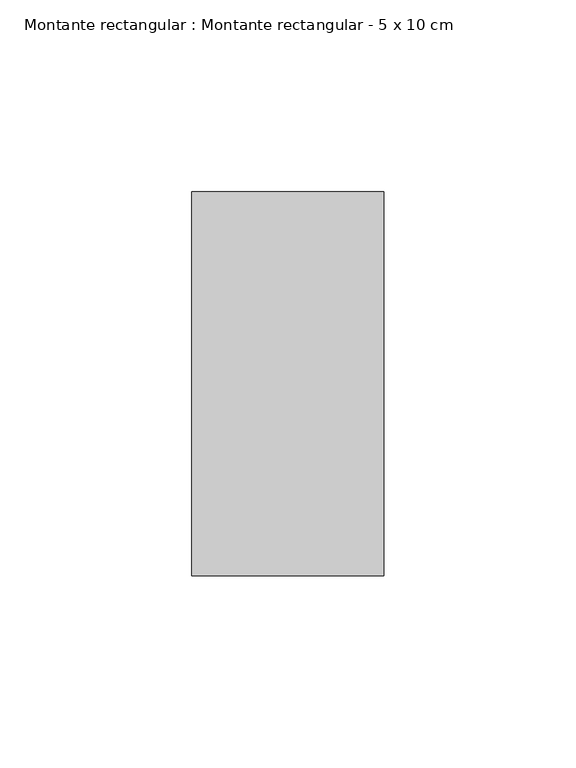
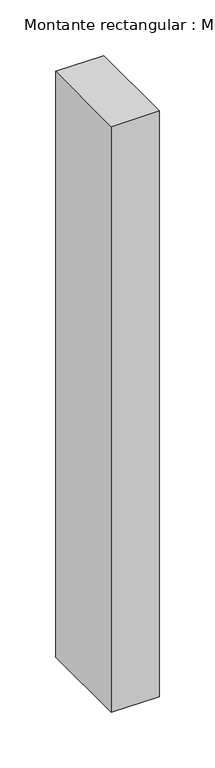
"""IFC4 building model written with IfcOpenShell, lengths in millimetres: member geometry, Montante rectangular : Montante rectangular - 5 x 10 cm."""

from ifc_helpers import new_model, si_unit, frame, origin, place, context, project, spatial, polyline, outline, extrude, source, transform, mapped, element, save


def montante_rectangular_montante_rectangular_5_x_10_cm_e2e3e07e(model_context):
    return source(origin(), model_context, "Body", "SweptSolid", [
        extrude(outline(polyline([(-50.0, 50.0), (0.0, 50.0), (0.0, -50.0), (-50.0, -50.0), (-50.0, 50.0)])), frame((0.0, 0.0, -643.8059951), z_axis=(0.0, 0.0, 1.0), x_axis=(1.0, 0.0, 0.0)), (0.0, 0.0, 1.0), 643.8059951),
    ])


if __name__ == "__main__":
    model = new_model("IFC4")
    model_context = context("Model", 3, world=origin())
    ifc_project = project(units=[si_unit("LENGTHUNIT", "METRE", prefix="MILLI")], contexts=[model_context])
    site = spatial("IfcSite", under=ifc_project)
    building = spatial("IfcBuilding", under=site)
    placement = place(None, origin())
    montante_rectangular_montante_rectangular_5_x_10_cm_shape = montante_rectangular_montante_rectangular_5_x_10_cm_e2e3e07e(model_context)
    element("IfcMember", 1, ObjectType="Montante rectangular : Montante rectangular - 5 x 10 cm", at=placement, inside=building, context=model_context, shape_type="MappedRepresentation", body=[
        mapped(montante_rectangular_montante_rectangular_5_x_10_cm_shape, transform((0.0, 0.0, 0.0), x_axis=(1.0, 0.0, 0.0), y_axis=(0.0, 1.0, 0.0), z_axis=(0.0, 0.0, 1.0))),
    ])
    save(model, "model.ifc")
